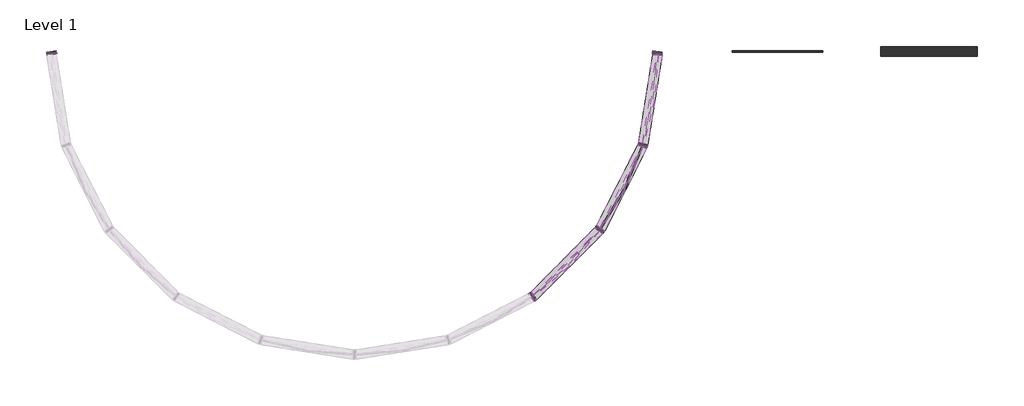
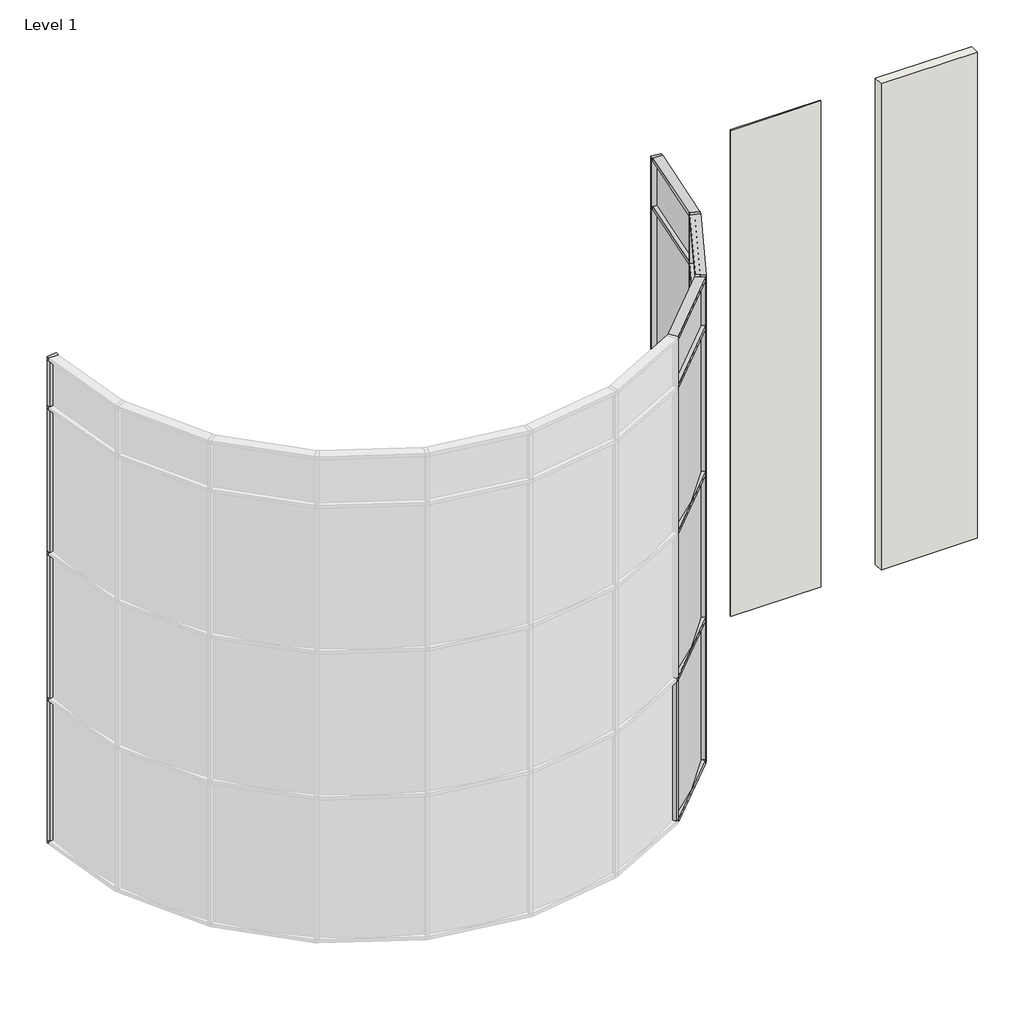
# One storey, part 3 of 3: 38 members, 27 plates, 2 walls.
"""IFC4 building model written with IfcOpenShell, lengths in millimetres."""

import ifcopenshell
import ifcopenshell.guid

model = None  # the IFC model being written
_history = None  # IfcOwnerHistory: only IFC2X3 demands one
_inside = {}  # id of a spatial element -> (the spatial element, [elements in it])
_under = {}  # id of a project, library or spatial element -> (it, [spatial elements below it])
_declared = {}  # id of a project -> (the project, [libraries it declares])
_typed = {}  # id of a type object -> (the type object, [elements of that type])
_made_of = {}  # id of a material, layer set ... -> (it, [elements and type objects made of it])


def new_model(schema):
    """Start an empty IFC model of exactly this schema.

    Asked for "IFC4X3", IfcOpenShell would pick the latest addendum, in which some entities
    have other attributes; the version numbers below select the first issue.
    IFC2X3 requires an IfcOwnerHistory on every rooted entity: one is made here for all.
    """
    global model, _history
    if schema == "IFC4X3":
        model = ifcopenshell.file(schema_version=(4, 3, 0, 0))
    else:
        model = ifcopenshell.file(schema=schema)
    _inside.clear()
    _under.clear()
    _declared.clear()
    _typed.clear()
    _made_of.clear()
    _history = None
    if model.schema == "IFC2X3":
        org = make("IfcOrganization", Name="unknown")
        user = make(
            "IfcPersonAndOrganization",
            ThePerson=make("IfcPerson", FamilyName="unknown"),
            TheOrganization=org,
        )
        app = make(
            "IfcApplication",
            ApplicationDeveloper=org,
            Version="unknown",
            ApplicationFullName="unknown",
            ApplicationIdentifier="unknown",
        )
        _history = make(
            "IfcOwnerHistory",
            OwningUser=user,
            OwningApplication=app,
            ChangeAction="ADDED",
            CreationDate=0,
        )
    return model


def make(cls, **values):
    """One entity of the class cls with the attributes given. An attribute that is None is left unset."""
    return model.create_entity(
        cls, **{name: value for name, value in values.items() if value is not None}
    )


def rooted(cls, **values):
    """An entity with a GlobalId (a new one), such as an element, a storey or a relation."""
    return make(cls, GlobalId=ifcopenshell.guid.new(), OwnerHistory=_history, **values)


def si_unit(unit_type, name, prefix=None):
    """IfcSIUnit, for example si_unit("LENGTHUNIT", "METRE", prefix="MILLI")."""
    return make("IfcSIUnit", UnitType=unit_type, Prefix=prefix, Name=name)


def assignment(units):
    """IfcUnitAssignment: the units of a project."""
    return None if units is None else make("IfcUnitAssignment", Units=units)


def point(xyz):
    """IfcCartesianPoint."""
    return None if xyz is None else make("IfcCartesianPoint", Coordinates=xyz)


def direction(xyz):
    """IfcDirection."""
    return None if xyz is None else make("IfcDirection", DirectionRatios=xyz)


def frame(location, z_axis=None, x_axis=None):
    """IfcAxis2Placement3D, a coordinate frame: its origin and axes. An axis left out is left unset."""
    return make(
        "IfcAxis2Placement3D",
        Location=point(location),
        Axis=direction(z_axis),
        RefDirection=direction(x_axis),
    )


def frame_2d(location, x_axis=None):
    """IfcAxis2Placement2D, a coordinate frame in the plane: its origin and x axis."""
    return make(
        "IfcAxis2Placement2D", Location=point(location), RefDirection=direction(x_axis)
    )


def origin():
    """The frame at (0, 0, 0) with its axes left unset."""
    return frame((0.0, 0.0, 0.0))


def origin_with_axes():
    """The frame at (0, 0, 0) with the z axis (0, 0, 1) and the x axis (1, 0, 0) written out."""
    return frame((0.0, 0.0, 0.0), z_axis=(0.0, 0.0, 1.0), x_axis=(1.0, 0.0, 0.0))


def place(relative_to, where):
    """IfcLocalPlacement: puts the frame where relative to a parent placement (None: the world)."""
    return make(
        "IfcLocalPlacement", PlacementRelTo=relative_to, RelativePlacement=where
    )


def context(
    kind, dimensions, precision=None, world=None, true_north=None, identifier=None
):
    """IfcGeometricRepresentationContext, for example the 3D "Model" context."""
    return make(
        "IfcGeometricRepresentationContext",
        ContextIdentifier=identifier,
        ContextType=kind,
        CoordinateSpaceDimension=dimensions,
        Precision=precision,
        WorldCoordinateSystem=world,
        TrueNorth=true_north,
    )


def project(units=None, contexts=None):
    """IfcProject with its units and contexts."""
    return rooted(
        "IfcProject",
        Name="project",
        RepresentationContexts=contexts,
        UnitsInContext=assignment(units),
    )


def spatial(cls, under=None, at=None, **own):
    """A site, building, storey or space (cls), placed at a placement, below another one or the project."""
    s = rooted(cls, ObjectPlacement=at, **own)
    if under is not None:
        _under.setdefault(under.id(), (under, []))[1].append(s)
    return s


def polyline(points):
    """IfcPolyline through the points."""
    return make("IfcPolyline", Points=[point(p) for p in points])


def circle_curve(where, radius):
    """IfcCircle in the frame where."""
    return make("IfcCircle", Position=where, Radius=radius)


def trimmed(basis, trim1, trim2, sense, master):
    """IfcTrimmedCurve: the piece of a basis curve between two trims."""
    return make(
        "IfcTrimmedCurve",
        BasisCurve=basis,
        Trim1=trim1,
        Trim2=trim2,
        SenseAgreement=sense,
        MasterRepresentation=master,
    )


def segment(curve, same_sense, transition):
    """IfcCompositeCurveSegment."""
    return make(
        "IfcCompositeCurveSegment",
        Transition=transition,
        SameSense=same_sense,
        ParentCurve=curve,
    )


def composite_curve(segments, self_intersect=None):
    """IfcCompositeCurve: segments joined end to end."""
    return make("IfcCompositeCurve", Segments=segments, SelfIntersect=self_intersect)


def outline(outer, holes=None, kind="AREA"):
    """IfcArbitraryClosedProfileDef: a profile drawn as a closed curve; with holes, ...WithVoids."""
    if holes is None:
        return make("IfcArbitraryClosedProfileDef", ProfileType=kind, OuterCurve=outer)
    return make(
        "IfcArbitraryProfileDefWithVoids",
        ProfileType=kind,
        OuterCurve=outer,
        InnerCurves=holes,
    )


def extrude(swept, where, along, depth):
    """IfcExtrudedAreaSolid: the profile swept, set in the frame where, extruded along a direction by depth."""
    return make(
        "IfcExtrudedAreaSolid",
        SweptArea=swept,
        Position=where,
        ExtrudedDirection=direction(along),
        Depth=depth,
    )


def shape(context_of_items, identifier, shape_type, items):
    """IfcShapeRepresentation: the items that make up one representation, for example the "Body"."""
    return make(
        "IfcShapeRepresentation",
        ContextOfItems=context_of_items,
        RepresentationIdentifier=identifier,
        RepresentationType=shape_type,
        Items=items,
    )


def source(mapping_origin, context_of_items, identifier, shape_type, items):
    """IfcRepresentationMap: a shape defined once, which mapped items show again and again."""
    return make(
        "IfcRepresentationMap",
        MappingOrigin=mapping_origin,
        MappedRepresentation=shape(context_of_items, identifier, shape_type, items),
    )


def transform(
    local_origin,
    x_axis=None,
    y_axis=None,
    z_axis=None,
    scale=None,
    scale2=None,
    scale3=None,
    uniform=True,
):
    """IfcCartesianTransformationOperator3D, or its non-uniform kind. x_axis, y_axis, z_axis: its Axis1, 2, 3."""
    if uniform:
        return make(
            "IfcCartesianTransformationOperator3D",
            Axis1=direction(x_axis),
            Axis2=direction(y_axis),
            LocalOrigin=point(local_origin),
            Scale=scale,
            Axis3=direction(z_axis),
        )
    return make(
        "IfcCartesianTransformationOperator3DnonUniform",
        Axis1=direction(x_axis),
        Axis2=direction(y_axis),
        LocalOrigin=point(local_origin),
        Scale=scale,
        Axis3=direction(z_axis),
        Scale2=scale2,
        Scale3=scale3,
    )


def mapped(mapping_source, mapping_target):
    """IfcMappedItem: shows the shape of a source again, moved by a transform."""
    return make(
        "IfcMappedItem", MappingSource=mapping_source, MappingTarget=mapping_target
    )


def made_of(thing, what):
    """Note that an element or type object is made of a material, layer set ...; save() writes the relation."""
    if what is not None:
        _made_of.setdefault(what.id(), (what, []))[1].append(thing)
    return thing


def element(
    cls,
    number,
    at=None,
    inside=None,
    cuts=None,
    type_object=None,
    material=None,
    context=None,
    identifier="Body",
    shape_type=None,
    held_by="IfcProductDefinitionShape",
    body=None,
    shapes=None,
    **own,
):
    """One element of the class cls, such as IfcWall. Its Tag is "e" and its number.

    at: its placement. inside: the storey or other place that contains it. cuts: it is an
    opening in that element (IfcRelVoidsElement). A single representation is given by context,
    identifier, shape_type and body (its items); several are given by shapes. held_by: the class
    of the entity that holds the representations. save() writes the other relations.
    """
    e = rooted(cls, Tag="e%d" % number, ObjectPlacement=at, **own)
    if body is not None:
        shapes = [shape(context, identifier, shape_type, body)]
    if shapes is not None:
        e.Representation = make(held_by, Representations=shapes)
    if inside is not None:
        _inside.setdefault(inside.id(), (inside, []))[1].append(e)
    if cuts is not None:
        rooted(
            "IfcRelVoidsElement", RelatingBuildingElement=cuts, RelatedOpeningElement=e
        )
    if type_object is not None:
        _typed.setdefault(type_object.id(), (type_object, []))[1].append(e)
    return made_of(e, material)


def aggregate(whole, parts):
    """IfcRelAggregates: a whole, such as a stair, and the parts it consists of."""
    return rooted("IfcRelAggregates", RelatingObject=whole, RelatedObjects=parts)


def save(model, path):
    """Write the relations noted so far, then the file.

    IfcRelAggregates (storeys below a building ...), IfcRelContainedInSpatialStructure (elements
    in a storey), IfcRelDefinesByType, IfcRelAssociatesMaterial and IfcRelDeclares: one each for
    every whole, place, type object, material and project.
    """
    for whole, parts in _under.values():
        aggregate(whole, parts)
    for where, things in _inside.values():
        rooted(
            "IfcRelContainedInSpatialStructure",
            RelatedElements=things,
            RelatingStructure=where,
        )
    for kind, things in _typed.values():
        rooted("IfcRelDefinesByType", RelatedObjects=things, RelatingType=kind)
    for what, things in _made_of.values():
        rooted("IfcRelAssociatesMaterial", RelatedObjects=things, RelatingMaterial=what)
    for by, libraries in _declared.values():
        rooted("IfcRelDeclares", RelatingContext=by, RelatedDefinitions=libraries)
    model.write(path)


def rectangular_mullion_50mm_x_150mm_457f9466(model_context):
    return source(origin(), model_context, "Body", "SweptSolid", [
        extrude(outline(polyline([(25.0, 75.0), (25.0, -75.0), (-25.0, -75.0), (-25.0, 75.0), (25.0, 75.0)])), frame((0.0, 0.0, -750.0), z_axis=(0.0, 0.0, 1.0), x_axis=(1.0, 0.0, 0.0)), (0.0, 0.0, 1.0), 750.0),
    ])


def rectangular_mullion_50mm_x_150mm_6eb1744c(model_context):
    return source(origin(), model_context, "Body", "SweptSolid", [
        extrude(outline(polyline([(25.0, 75.0), (25.0, -75.0), (-25.0, -75.0), (-25.0, 75.0), (25.0, 75.0)])), frame((0.0, 0.0, -50.0), z_axis=(0.0, 0.0, 1.0), x_axis=(1.0, 0.0, 0.0)), (0.0, 0.0, 1.0), 50.0),
    ])


def rectangular_mullion_50mm_x_150mm_0d3281e4(model_context):
    return source(origin(), model_context, "Body", "SweptSolid", [
        extrude(outline(polyline([(0.0, 75.0), (0.0, -75.0), (-50.0, -75.0), (-50.0, 75.0), (0.0, 75.0)])), frame((0.0, 0.0, -750.0), z_axis=(0.0, 0.0, 1.0), x_axis=(1.0, 0.0, 0.0)), (0.0, 0.0, 1.0), 750.0),
    ])


def rectangular_mullion_50mm_x_150mm_188a2113(model_context):
    return source(origin(), model_context, "Body", "SweptSolid", [
        extrude(outline(polyline([(0.0, 75.0), (0.0, -75.0), (-50.0, -75.0), (-50.0, 75.0), (0.0, 75.0)])), frame((0.0, 0.0, -50.0), z_axis=(0.0, 0.0, 1.0), x_axis=(1.0, 0.0, 0.0)), (0.0, 0.0, 1.0), 50.0),
    ])


def rectangular_mullion_50mm_x_150mm_518b68e2(model_context):
    return source(origin(), model_context, "Body", "SweptSolid", [
        extrude(outline(polyline([(25.0, 75.0), (25.0, -75.0), (-25.0, -75.0), (-25.0, 75.0), (25.0, 75.0)])), frame((0.0, 0.0, -2350.0), z_axis=(0.0, 0.0, 1.0), x_axis=(1.0, 0.0, 0.0)), (0.0, 0.0, 1.0), 2350.0),
    ])


def rectangular_mullion_50mm_x_150mm_8b0a0560(model_context):
    return source(origin(), model_context, "Body", "SweptSolid", [
        extrude(outline(polyline([(0.0, 75.0), (0.0, -75.0), (-50.0, -75.0), (-50.0, 75.0), (0.0, 75.0)])), frame((0.0, 0.0, -2350.0), z_axis=(0.0, 0.0, 1.0), x_axis=(1.0, 0.0, 0.0)), (0.0, 0.0, 1.0), 2350.0),
    ])


def rectangular_mullion_50mm_x_150mm_f70f74d1(model_context):
    return source(origin(), model_context, "Body", "SweptSolid", [
        extrude(outline(polyline([(25.0, 75.0), (25.0, -75.0), (-25.0, -75.0), (-25.0, 75.0), (25.0, 75.0)])), frame((0.0, 0.0, -2300.0), z_axis=(0.0, 0.0, 1.0), x_axis=(1.0, 0.0, 0.0)), (0.0, 0.0, 1.0), 2300.0),
    ])


def rectangular_mullion_50mm_x_150mm_8753ce05(model_context):
    return source(origin(), model_context, "Body", "SweptSolid", [
        extrude(outline(polyline([(0.0, 75.0), (0.0, -75.0), (-50.0, -75.0), (-50.0, 75.0), (0.0, 75.0)])), frame((0.0, 0.0, -2300.0), z_axis=(0.0, 0.0, 1.0), x_axis=(1.0, 0.0, 0.0)), (0.0, 0.0, 1.0), 2300.0),
    ])


model = new_model("IFC4")

# Units and contexts
model_context = context("Model", 3, world=origin())
ifc_project = project(units=[si_unit("LENGTHUNIT", "METRE", prefix="MILLI")], contexts=[model_context])

# Site, building, storey
site = spatial("IfcSite", under=ifc_project)
building = spatial("IfcBuilding", under=site)
storey = spatial("IfcBuildingStorey", under=building, Name="Level 1", Elevation=0.0)

# Members
placement = place(None, origin())
rectangular_mullion_50mm_x_150mm_shape = rectangular_mullion_50mm_x_150mm_457f9466(model_context)
element("IfcMember", 1, ObjectType="Rectangular Mullion : 50mm x 150mm", at=placement, inside=storey, context=model_context, shape_type="MappedRepresentation", body=[
    mapped(rectangular_mullion_50mm_x_150mm_shape, transform((5561.4589046, -1370.3292629, 7200.0), x_axis=(0.3090169951357944, 0.9510565160479394, 0.0), y_axis=(0.9510565160479394, -0.3090169951357944, 0.0), z_axis=(0.0, 0.0, -1.0))),
])
element("IfcMember", 2, ObjectType="Rectangular Mullion : 50mm x 150mm", at=placement, inside=storey, context=model_context, shape_type="MappedRepresentation", body=[
    mapped(rectangular_mullion_50mm_x_150mm_shape, transform((4893.8731511, -2680.5400738, 7200.0), x_axis=(0.5877852527778847, 0.8090169940222752, 0.0), y_axis=(0.8090169940222752, -0.5877852527778847, 0.0), z_axis=(0.0, 0.0, -1.0))),
])
rectangular_mullion_50mm_x_150mm_2_shape = rectangular_mullion_50mm_x_150mm_6eb1744c(model_context)
element("IfcMember", 3, ObjectType="Rectangular Mullion : 50mm x 150mm", at=placement, inside=storey, context=model_context, shape_type="MappedRepresentation", body=[
    mapped(rectangular_mullion_50mm_x_150mm_2_shape, transform((5561.4589046, -1370.3292629, 7950.0), x_axis=(0.3090169951357944, 0.9510565160479394, 0.0), y_axis=(0.9510565160479394, -0.3090169951357944, 0.0), z_axis=(0.0, 0.0, -1.0))),
])
element("IfcMember", 4, ObjectType="Rectangular Mullion : 50mm x 150mm", at=placement, inside=storey, context=model_context, shape_type="MappedRepresentation", body=[
    mapped(rectangular_mullion_50mm_x_150mm_2_shape, transform((4893.8731511, -2680.5400738, 7950.0), x_axis=(0.5877852527778847, 0.8090169940222752, 0.0), y_axis=(0.8090169940222752, -0.5877852527778847, 0.0), z_axis=(0.0, 0.0, -1.0))),
])
rectangular_mullion_50mm_x_150mm_3_shape = rectangular_mullion_50mm_x_150mm_0d3281e4(model_context)
element("IfcMember", 5, ObjectType="Rectangular Mullion : 50mm x 150mm", at=placement, inside=storey, context=model_context, shape_type="MappedRepresentation", body=[
    mapped(rectangular_mullion_50mm_x_150mm_3_shape, transform((5791.4932792, 82.0506143, 7200.0), x_axis=(0.1564344654353081, 0.9876883405325636, 0.0), y_axis=(0.9876883405325636, -0.1564344654353081, 0.0), z_axis=(0.0, 0.0, -1.0))),
])
rectangular_mullion_50mm_x_150mm_4_shape = rectangular_mullion_50mm_x_150mm_188a2113(model_context)
element("IfcMember", 6, ObjectType="Rectangular Mullion : 50mm x 150mm", at=placement, inside=storey, context=model_context, shape_type="MappedRepresentation", body=[
    mapped(rectangular_mullion_50mm_x_150mm_4_shape, transform((-3608.5067208, 82.0506143, 8000.0), x_axis=(-0.1564344654353079, 0.9876883405325637, 0.0), y_axis=(-0.9876883405325637, -0.1564344654353079, 0.0), z_axis=(0.0, 0.0, 1.0))),
])
element("IfcMember", 7, ObjectType="Rectangular Mullion : 50mm x 150mm", at=placement, inside=storey, context=model_context, shape_type="MappedRepresentation", body=[
    mapped(rectangular_mullion_50mm_x_150mm_4_shape, transform((5791.4932792, 82.0506143, 7950.0), x_axis=(0.15643446543530806, 0.9876883405325636, 0.0), y_axis=(0.9876883405325636, -0.15643446543530806, 0.0), z_axis=(0.0, 0.0, -1.0))),
])
element("IfcMember", 8, ObjectType="Rectangular Mullion : 50mm x 150mm", at=placement, inside=storey, context=model_context, shape_type="MappedRepresentation", body=[
    mapped(rectangular_mullion_50mm_x_150mm_3_shape, transform((-3608.5067208, 82.0506143, 7950.0), x_axis=(-0.15643446543530792, 0.9876883405325637, 0.0), y_axis=(-0.9876883405325637, -0.15643446543530792, 0.0), z_axis=(0.0, 0.0, 1.0))),
])
rectangular_mullion_50mm_x_150mm_5_shape = rectangular_mullion_50mm_x_150mm_518b68e2(model_context)
element("IfcMember", 9, ObjectType="Rectangular Mullion : 50mm x 150mm", at=placement, inside=storey, context=model_context, shape_type="MappedRepresentation", body=[
    mapped(rectangular_mullion_50mm_x_150mm_5_shape, transform((5561.4589046, -1370.3292629, 4800.0), x_axis=(0.3090169951357944, 0.9510565160479394, 0.0), y_axis=(0.9510565160479394, -0.3090169951357944, 0.0), z_axis=(0.0, 0.0, -1.0))),
])
element("IfcMember", 10, ObjectType="Rectangular Mullion : 50mm x 150mm", at=placement, inside=storey, context=model_context, shape_type="MappedRepresentation", body=[
    mapped(rectangular_mullion_50mm_x_150mm_5_shape, transform((5561.4589046, -1370.3292629, 2400.0), x_axis=(0.3090169951357944, 0.9510565160479394, 0.0), y_axis=(0.9510565160479394, -0.3090169951357944, 0.0), z_axis=(0.0, 0.0, -1.0))),
])
element("IfcMember", 11, ObjectType="Rectangular Mullion : 50mm x 150mm", at=placement, inside=storey, context=model_context, shape_type="MappedRepresentation", body=[
    mapped(rectangular_mullion_50mm_x_150mm_5_shape, transform((4893.8731511, -2680.5400738, 4800.0), x_axis=(0.5877852527778847, 0.8090169940222752, 0.0), y_axis=(0.8090169940222752, -0.5877852527778847, 0.0), z_axis=(0.0, 0.0, -1.0))),
])
element("IfcMember", 12, ObjectType="Rectangular Mullion : 50mm x 150mm", at=placement, inside=storey, context=model_context, shape_type="MappedRepresentation", body=[
    mapped(rectangular_mullion_50mm_x_150mm_5_shape, transform((4893.8731511, -2680.5400738, 2400.0), x_axis=(0.5877852527778847, 0.8090169940222752, 0.0), y_axis=(0.8090169940222752, -0.5877852527778847, 0.0), z_axis=(0.0, 0.0, -1.0))),
])
element("IfcMember", 13, ObjectType="Rectangular Mullion : 50mm x 150mm", at=placement, inside=storey, context=model_context, shape_type="MappedRepresentation", body=[
    mapped(rectangular_mullion_50mm_x_150mm_2_shape, transform((5561.4589046, -1370.3292629, 7150.0), x_axis=(0.3090169951357944, 0.9510565160479394, 0.0), y_axis=(0.9510565160479394, -0.3090169951357944, 0.0), z_axis=(0.0, 0.0, -1.0))),
])
element("IfcMember", 14, ObjectType="Rectangular Mullion : 50mm x 150mm", at=placement, inside=storey, context=model_context, shape_type="MappedRepresentation", body=[
    mapped(rectangular_mullion_50mm_x_150mm_2_shape, transform((4893.8731511, -2680.5400738, 7150.0), x_axis=(0.5877852527778847, 0.8090169940222752, 0.0), y_axis=(0.8090169940222752, -0.5877852527778847, 0.0), z_axis=(0.0, 0.0, -1.0))),
])
element("IfcMember", 15, ObjectType="Rectangular Mullion : 50mm x 150mm", at=placement, inside=storey, context=model_context, shape_type="MappedRepresentation", body=[
    mapped(rectangular_mullion_50mm_x_150mm_2_shape, transform((5561.4589046, -1370.3292629, 4750.0), x_axis=(0.3090169951357944, 0.9510565160479394, 0.0), y_axis=(0.9510565160479394, -0.3090169951357944, 0.0), z_axis=(0.0, 0.0, -1.0))),
])
element("IfcMember", 16, ObjectType="Rectangular Mullion : 50mm x 150mm", at=placement, inside=storey, context=model_context, shape_type="MappedRepresentation", body=[
    mapped(rectangular_mullion_50mm_x_150mm_2_shape, transform((4893.8731511, -2680.5400738, 4750.0), x_axis=(0.5877852527778847, 0.8090169940222752, 0.0), y_axis=(0.8090169940222752, -0.5877852527778847, 0.0), z_axis=(0.0, 0.0, -1.0))),
])
element("IfcMember", 17, ObjectType="Rectangular Mullion : 50mm x 150mm", at=placement, inside=storey, context=model_context, shape_type="MappedRepresentation", body=[
    mapped(rectangular_mullion_50mm_x_150mm_2_shape, transform((5561.4589046, -1370.3292629, 2350.0), x_axis=(0.3090169951357944, 0.9510565160479394, 0.0), y_axis=(0.9510565160479394, -0.3090169951357944, 0.0), z_axis=(0.0, 0.0, -1.0))),
])
element("IfcMember", 18, ObjectType="Rectangular Mullion : 50mm x 150mm", at=placement, inside=storey, context=model_context, shape_type="MappedRepresentation", body=[
    mapped(rectangular_mullion_50mm_x_150mm_2_shape, transform((4893.8731511, -2680.5400738, 2350.0), x_axis=(0.5877852527778847, 0.8090169940222752, 0.0), y_axis=(0.8090169940222752, -0.5877852527778847, 0.0), z_axis=(0.0, 0.0, -1.0))),
])
element("IfcMember", 19, ObjectType="Rectangular Mullion : 50mm x 150mm", at=placement, inside=storey, context=model_context, shape_type="MappedRepresentation", body=[
    mapped(rectangular_mullion_50mm_x_150mm_2_shape, transform((3854.0839634, -3720.3292604, 2350.0), x_axis=(0.809016994610062, 0.5877852519688657, 0.0), y_axis=(0.5877852519688657, -0.809016994610062, 0.0), z_axis=(0.0, 0.0, -1.0))),
])
rectangular_mullion_50mm_x_150mm_6_shape = rectangular_mullion_50mm_x_150mm_8b0a0560(model_context)
element("IfcMember", 20, ObjectType="Rectangular Mullion : 50mm x 150mm", at=placement, inside=storey, context=model_context, shape_type="MappedRepresentation", body=[
    mapped(rectangular_mullion_50mm_x_150mm_6_shape, transform((5791.4932792, 82.0506143, 4800.0), x_axis=(0.1564344654353081, 0.9876883405325636, 0.0), y_axis=(0.9876883405325636, -0.1564344654353081, 0.0), z_axis=(0.0, 0.0, -1.0))),
])
element("IfcMember", 21, ObjectType="Rectangular Mullion : 50mm x 150mm", at=placement, inside=storey, context=model_context, shape_type="MappedRepresentation", body=[
    mapped(rectangular_mullion_50mm_x_150mm_6_shape, transform((5791.4932792, 82.0506143, 2400.0), x_axis=(0.1564344654353081, 0.9876883405325636, 0.0), y_axis=(0.9876883405325636, -0.1564344654353081, 0.0), z_axis=(0.0, 0.0, -1.0))),
])
element("IfcMember", 22, ObjectType="Rectangular Mullion : 50mm x 150mm", at=placement, inside=storey, context=model_context, shape_type="MappedRepresentation", body=[
    mapped(rectangular_mullion_50mm_x_150mm_4_shape, transform((-3608.5067208, 82.0506143, 7200.0), x_axis=(-0.15643446543530792, 0.9876883405325637, 0.0), y_axis=(-0.9876883405325637, -0.15643446543530792, 0.0), z_axis=(0.0, 0.0, 1.0))),
])
element("IfcMember", 23, ObjectType="Rectangular Mullion : 50mm x 150mm", at=placement, inside=storey, context=model_context, shape_type="MappedRepresentation", body=[
    mapped(rectangular_mullion_50mm_x_150mm_4_shape, transform((-3608.5067208, 82.0506143, 4800.0), x_axis=(-0.1564344654353079, 0.9876883405325637, 0.0), y_axis=(-0.9876883405325637, -0.1564344654353079, 0.0), z_axis=(0.0, 0.0, 1.0))),
])
element("IfcMember", 24, ObjectType="Rectangular Mullion : 50mm x 150mm", at=placement, inside=storey, context=model_context, shape_type="MappedRepresentation", body=[
    mapped(rectangular_mullion_50mm_x_150mm_4_shape, transform((-3608.5067208, 82.0506143, 2400.0), x_axis=(-0.1564344654353079, 0.9876883405325637, 0.0), y_axis=(-0.9876883405325637, -0.1564344654353079, 0.0), z_axis=(0.0, 0.0, 1.0))),
])
element("IfcMember", 25, ObjectType="Rectangular Mullion : 50mm x 150mm", at=placement, inside=storey, context=model_context, shape_type="MappedRepresentation", body=[
    mapped(rectangular_mullion_50mm_x_150mm_4_shape, transform((5791.4932792, 82.0506143, 7150.0), x_axis=(0.15643446543530806, 0.9876883405325636, 0.0), y_axis=(0.9876883405325636, -0.15643446543530806, 0.0), z_axis=(0.0, 0.0, -1.0))),
])
element("IfcMember", 26, ObjectType="Rectangular Mullion : 50mm x 150mm", at=placement, inside=storey, context=model_context, shape_type="MappedRepresentation", body=[
    mapped(rectangular_mullion_50mm_x_150mm_4_shape, transform((5791.4932792, 82.0506143, 4750.0), x_axis=(0.15643446543530806, 0.9876883405325636, 0.0), y_axis=(0.9876883405325636, -0.15643446543530806, 0.0), z_axis=(0.0, 0.0, -1.0))),
])
element("IfcMember", 27, ObjectType="Rectangular Mullion : 50mm x 150mm", at=placement, inside=storey, context=model_context, shape_type="MappedRepresentation", body=[
    mapped(rectangular_mullion_50mm_x_150mm_4_shape, transform((5791.4932792, 82.0506143, 2350.0), x_axis=(0.15643446543530806, 0.9876883405325636, 0.0), y_axis=(0.9876883405325636, -0.15643446543530806, 0.0), z_axis=(0.0, 0.0, -1.0))),
])
element("IfcMember", 28, ObjectType="Rectangular Mullion : 50mm x 150mm", at=placement, inside=storey, context=model_context, shape_type="MappedRepresentation", body=[
    mapped(rectangular_mullion_50mm_x_150mm_6_shape, transform((-3608.5067208, 82.0506143, 7150.0), x_axis=(-0.15643446543530792, 0.9876883405325637, 0.0), y_axis=(-0.9876883405325637, -0.15643446543530792, 0.0), z_axis=(0.0, 0.0, 1.0))),
])
element("IfcMember", 29, ObjectType="Rectangular Mullion : 50mm x 150mm", at=placement, inside=storey, context=model_context, shape_type="MappedRepresentation", body=[
    mapped(rectangular_mullion_50mm_x_150mm_6_shape, transform((-3608.5067208, 82.0506143, 4750.0), x_axis=(-0.15643446543530792, 0.9876883405325637, 0.0), y_axis=(-0.9876883405325637, -0.15643446543530792, 0.0), z_axis=(0.0, 0.0, 1.0))),
])
element("IfcMember", 30, ObjectType="Rectangular Mullion : 50mm x 150mm", at=placement, inside=storey, context=model_context, shape_type="MappedRepresentation", body=[
    mapped(rectangular_mullion_50mm_x_150mm_2_shape, transform((5561.4589046, -1370.3292629, 0.0), x_axis=(0.3090169951357944, 0.9510565160479394, 0.0), y_axis=(0.9510565160479394, -0.3090169951357944, 0.0), z_axis=(0.0, 0.0, -1.0))),
])
element("IfcMember", 31, ObjectType="Rectangular Mullion : 50mm x 150mm", at=placement, inside=storey, context=model_context, shape_type="MappedRepresentation", body=[
    mapped(rectangular_mullion_50mm_x_150mm_2_shape, transform((4893.8731511, -2680.5400738, 0.0), x_axis=(0.5877852527778847, 0.8090169940222752, 0.0), y_axis=(0.8090169940222752, -0.5877852527778847, 0.0), z_axis=(0.0, 0.0, -1.0))),
])
rectangular_mullion_50mm_x_150mm_7_shape = rectangular_mullion_50mm_x_150mm_f70f74d1(model_context)
element("IfcMember", 32, ObjectType="Rectangular Mullion : 50mm x 150mm", at=placement, inside=storey, context=model_context, shape_type="MappedRepresentation", body=[
    mapped(rectangular_mullion_50mm_x_150mm_7_shape, transform((5561.4589046, -1370.3292629, 50.0), x_axis=(0.3090169951357944, 0.9510565160479394, 0.0), y_axis=(0.9510565160479394, -0.3090169951357944, 0.0), z_axis=(0.0, 0.0, -1.0))),
])
element("IfcMember", 33, ObjectType="Rectangular Mullion : 50mm x 150mm", at=placement, inside=storey, context=model_context, shape_type="MappedRepresentation", body=[
    mapped(rectangular_mullion_50mm_x_150mm_7_shape, transform((4893.8731511, -2680.5400738, 50.0), x_axis=(0.5877852527778847, 0.8090169940222752, 0.0), y_axis=(0.8090169940222752, -0.5877852527778847, 0.0), z_axis=(0.0, 0.0, -1.0))),
])
element("IfcMember", 34, ObjectType="Rectangular Mullion : 50mm x 150mm", at=placement, inside=storey, context=model_context, shape_type="MappedRepresentation", body=[
    mapped(rectangular_mullion_50mm_x_150mm_7_shape, transform((3854.0839634, -3720.3292604, 50.0), x_axis=(0.809016994610062, 0.5877852519688657, 0.0), y_axis=(0.5877852519688657, -0.809016994610062, 0.0), z_axis=(0.0, 0.0, -1.0))),
])
element("IfcMember", 35, ObjectType="Rectangular Mullion : 50mm x 150mm", at=placement, inside=storey, context=model_context, shape_type="MappedRepresentation", body=[
    mapped(rectangular_mullion_50mm_x_150mm_4_shape, transform((5791.4932792, 82.0506143, 0.0), x_axis=(0.1564344654353081, 0.9876883405325636, 0.0), y_axis=(0.9876883405325636, -0.1564344654353081, 0.0), z_axis=(0.0, 0.0, -1.0))),
])
rectangular_mullion_50mm_x_150mm_8_shape = rectangular_mullion_50mm_x_150mm_8753ce05(model_context)
element("IfcMember", 36, ObjectType="Rectangular Mullion : 50mm x 150mm", at=placement, inside=storey, context=model_context, shape_type="MappedRepresentation", body=[
    mapped(rectangular_mullion_50mm_x_150mm_8_shape, transform((-3608.5067208, 82.0506143, 2350.0), x_axis=(-0.15643446543530792, 0.9876883405325637, 0.0), y_axis=(-0.9876883405325637, -0.15643446543530792, 0.0), z_axis=(0.0, 0.0, 1.0))),
])
element("IfcMember", 37, ObjectType="Rectangular Mullion : 50mm x 150mm", at=placement, inside=storey, context=model_context, shape_type="MappedRepresentation", body=[
    mapped(rectangular_mullion_50mm_x_150mm_8_shape, transform((5791.4932792, 82.0506143, 50.0), x_axis=(0.15643446543530806, 0.9876883405325636, 0.0), y_axis=(0.9876883405325636, -0.15643446543530806, 0.0), z_axis=(0.0, 0.0, -1.0))),
])
element("IfcMember", 38, ObjectType="Rectangular Mullion : 50mm x 150mm", at=placement, inside=storey, context=model_context, shape_type="MappedRepresentation", body=[
    mapped(rectangular_mullion_50mm_x_150mm_4_shape, transform((-3608.5067208, 82.0506143, 50.0), x_axis=(-0.15643446543530792, 0.9876883405325637, 0.0), y_axis=(-0.9876883405325637, -0.15643446543530792, 0.0), z_axis=(0.0, 0.0, 1.0))),
])

# Plates
element("IfcPlate", 39, ObjectType="Glass - 20mm", at=placement, inside=storey, context=model_context, shape_type="SweptSolid", body=[
    extrude(outline(composite_curve([segment(polyline([(5781.2335399, 32.691857), (5801.2324323, 32.4813719)]), True, "CONTINUOUS"), segment(trimmed(circle_curve(frame_2d((1091.4932792, 82.0506143)), 4710.0), [point((5801.2324323, 32.4813719))], [point((5578.5603581, -1349.8463895))], False, "CARTESIAN"), True, "CONTINUOUS"), segment(polyline([(5578.5603581, -1349.8463895), (5559.5069947, -1343.7661474)]), True, "CONTINUOUS"), segment(trimmed(circle_curve(frame_2d((1091.4932792, 82.0506143)), 4690.0), [point((5559.5069947, -1343.7661474))], [point((5781.2335399, 32.691857))], True, "CARTESIAN"), True, "CONTINUOUS")], self_intersect=False)), frame((0.0, 0.0, 7200.0), z_axis=(0.0, 0.0, 1.0), x_axis=(1.0, 0.0, 0.0)), (0.0, 0.0, 1.0), 750.0),
])
element("IfcPlate", 40, ObjectType="Glass - 20mm", at=placement, inside=storey, context=model_context, shape_type="SweptSolid", body=[
    extrude(outline(composite_curve([segment(polyline([(5544.2663688, -1390.6719708), (5563.2547401, -1396.9522377)]), True, "CONTINUOUS"), segment(trimmed(circle_curve(frame_2d((1091.4932792, 82.0506143)), 4710.0), [point((5563.2547401, -1396.9522377))], [point((4916.4671558, -2666.3443433))], False, "CARTESIAN"), True, "CONTINUOUS"), segment(polyline([(4916.4671558, -2666.3443433), (4900.2252286, -2654.6738764)]), True, "CONTINUOUS"), segment(trimmed(circle_curve(frame_2d((1091.4932792, 82.0506143)), 4690.0), [point((4900.2252286, -2654.6738764))], [point((5544.2663688, -1390.6719708))], True, "CARTESIAN"), True, "CONTINUOUS")], self_intersect=False)), frame((0.0, 0.0, 7200.0), z_axis=(0.0, 0.0, 1.0), x_axis=(1.0, 0.0, 0.0)), (0.0, 0.0, 1.0), 750.0),
])
element("IfcPlate", 41, ObjectType="Glass - 20mm", at=placement, inside=storey, context=model_context, shape_type="SweptSolid", body=[
    extrude(outline(composite_curve([segment(polyline([(4871.2358354, -2694.574353), (4887.3541405, -2706.4149712)]), True, "CONTINUOUS"), segment(trimmed(circle_curve(frame_2d((1091.4932792, 82.0506143)), 4710.0), [point((4887.3541405, -2706.4149712))], [point((3879.9588609, -3713.8102499))], False, "CARTESIAN"), True, "CONTINUOUS"), segment(polyline([(3879.9588609, -3713.8102499), (3868.1182427, -3697.6919447)]), True, "CONTINUOUS"), segment(trimmed(circle_curve(frame_2d((1091.4932792, 82.0506143)), 4690.0), [point((3868.1182427, -3697.6919447))], [point((4871.2358354, -2694.574353))], True, "CARTESIAN"), True, "CONTINUOUS")], self_intersect=False)), frame((0.0, 0.0, 7200.0), z_axis=(0.0, 0.0, 1.0), x_axis=(1.0, 0.0, 0.0)), (0.0, 0.0, 1.0), 750.0),
])
element("IfcPlate", 42, ObjectType="Glass - 20mm", at=placement, inside=storey, context=model_context, shape_type="SweptSolid", body=[
    extrude(outline(composite_curve([segment(polyline([(5781.2335399, 32.691857), (5801.2324323, 32.4813719)]), True, "CONTINUOUS"), segment(trimmed(circle_curve(frame_2d((1091.4932792, 82.0506143)), 4710.0), [point((5801.2324323, 32.4813719))], [point((5578.5603581, -1349.8463895))], False, "CARTESIAN"), True, "CONTINUOUS"), segment(polyline([(5578.5603581, -1349.8463895), (5559.5069947, -1343.7661474)]), True, "CONTINUOUS"), segment(trimmed(circle_curve(frame_2d((1091.4932792, 82.0506143)), 4690.0), [point((5559.5069947, -1343.7661474))], [point((5781.2335399, 32.691857))], True, "CARTESIAN"), True, "CONTINUOUS")], self_intersect=False)), frame((0.0, 0.0, 4800.0), z_axis=(0.0, 0.0, 1.0), x_axis=(1.0, 0.0, 0.0)), (0.0, 0.0, 1.0), 2350.0),
])
element("IfcPlate", 43, ObjectType="Glass - 20mm", at=placement, inside=storey, context=model_context, shape_type="SweptSolid", body=[
    extrude(outline(composite_curve([segment(polyline([(5544.2663688, -1390.6719708), (5563.2547401, -1396.9522377)]), True, "CONTINUOUS"), segment(trimmed(circle_curve(frame_2d((1091.4932792, 82.0506143)), 4710.0), [point((5563.2547401, -1396.9522377))], [point((4916.4671558, -2666.3443433))], False, "CARTESIAN"), True, "CONTINUOUS"), segment(polyline([(4916.4671558, -2666.3443433), (4900.2252286, -2654.6738764)]), True, "CONTINUOUS"), segment(trimmed(circle_curve(frame_2d((1091.4932792, 82.0506143)), 4690.0), [point((4900.2252286, -2654.6738764))], [point((5544.2663688, -1390.6719708))], True, "CARTESIAN"), True, "CONTINUOUS")], self_intersect=False)), frame((0.0, 0.0, 4800.0), z_axis=(0.0, 0.0, 1.0), x_axis=(1.0, 0.0, 0.0)), (0.0, 0.0, 1.0), 2350.0),
])
element("IfcPlate", 44, ObjectType="Glass - 20mm", at=placement, inside=storey, context=model_context, shape_type="SweptSolid", body=[
    extrude(outline(composite_curve([segment(polyline([(4871.2358354, -2694.574353), (4887.3541405, -2706.4149712)]), True, "CONTINUOUS"), segment(trimmed(circle_curve(frame_2d((1091.4932792, 82.0506143)), 4710.0), [point((4887.3541405, -2706.4149712))], [point((3879.9588609, -3713.8102499))], False, "CARTESIAN"), True, "CONTINUOUS"), segment(polyline([(3879.9588609, -3713.8102499), (3868.1182427, -3697.6919447)]), True, "CONTINUOUS"), segment(trimmed(circle_curve(frame_2d((1091.4932792, 82.0506143)), 4690.0), [point((3868.1182427, -3697.6919447))], [point((4871.2358354, -2694.574353))], True, "CARTESIAN"), True, "CONTINUOUS")], self_intersect=False)), frame((0.0, 0.0, 4800.0), z_axis=(0.0, 0.0, 1.0), x_axis=(1.0, 0.0, 0.0)), (0.0, 0.0, 1.0), 2350.0),
])
element("IfcPlate", 45, ObjectType="Glass - 20mm", at=placement, inside=storey, context=model_context, shape_type="SweptSolid", body=[
    extrude(outline(composite_curve([segment(polyline([(5781.2335399, 32.691857), (5801.2324323, 32.4813719)]), True, "CONTINUOUS"), segment(trimmed(circle_curve(frame_2d((1091.4932792, 82.0506143)), 4710.0), [point((5801.2324323, 32.4813719))], [point((5578.5603581, -1349.8463895))], False, "CARTESIAN"), True, "CONTINUOUS"), segment(polyline([(5578.5603581, -1349.8463895), (5559.5069947, -1343.7661474)]), True, "CONTINUOUS"), segment(trimmed(circle_curve(frame_2d((1091.4932792, 82.0506143)), 4690.0), [point((5559.5069947, -1343.7661474))], [point((5781.2335399, 32.691857))], True, "CARTESIAN"), True, "CONTINUOUS")], self_intersect=False)), frame((0.0, 0.0, 2400.0), z_axis=(0.0, 0.0, 1.0), x_axis=(1.0, 0.0, 0.0)), (0.0, 0.0, 1.0), 2350.0),
])
element("IfcPlate", 46, ObjectType="Glass - 20mm", at=placement, inside=storey, context=model_context, shape_type="SweptSolid", body=[
    extrude(outline(composite_curve([segment(polyline([(5544.2663688, -1390.6719708), (5563.2547401, -1396.9522377)]), True, "CONTINUOUS"), segment(trimmed(circle_curve(frame_2d((1091.4932792, 82.0506143)), 4710.0), [point((5563.2547401, -1396.9522377))], [point((4916.4671558, -2666.3443433))], False, "CARTESIAN"), True, "CONTINUOUS"), segment(polyline([(4916.4671558, -2666.3443433), (4900.2252286, -2654.6738764)]), True, "CONTINUOUS"), segment(trimmed(circle_curve(frame_2d((1091.4932792, 82.0506143)), 4690.0), [point((4900.2252286, -2654.6738764))], [point((5544.2663688, -1390.6719708))], True, "CARTESIAN"), True, "CONTINUOUS")], self_intersect=False)), frame((0.0, 0.0, 2400.0), z_axis=(0.0, 0.0, 1.0), x_axis=(1.0, 0.0, 0.0)), (0.0, 0.0, 1.0), 2350.0),
])
element("IfcPlate", 47, ObjectType="Glass - 20mm", at=placement, inside=storey, context=model_context, shape_type="SweptSolid", body=[
    extrude(outline(composite_curve([segment(polyline([(4871.2358354, -2694.574353), (4887.3541405, -2706.4149712)]), True, "CONTINUOUS"), segment(trimmed(circle_curve(frame_2d((1091.4932792, 82.0506143)), 4710.0), [point((4887.3541405, -2706.4149712))], [point((3879.9588609, -3713.8102499))], False, "CARTESIAN"), True, "CONTINUOUS"), segment(polyline([(3879.9588609, -3713.8102499), (3868.1182427, -3697.6919447)]), True, "CONTINUOUS"), segment(trimmed(circle_curve(frame_2d((1091.4932792, 82.0506143)), 4690.0), [point((3868.1182427, -3697.6919447))], [point((4871.2358354, -2694.574353))], True, "CARTESIAN"), True, "CONTINUOUS")], self_intersect=False)), frame((0.0, 0.0, 2400.0), z_axis=(0.0, 0.0, 1.0), x_axis=(1.0, 0.0, 0.0)), (0.0, 0.0, 1.0), 2350.0),
])
element("IfcPlate", 48, ObjectType="Glass - 20mm", at=placement, inside=storey, context=model_context, shape_type="SweptSolid", body=[
    extrude(outline(composite_curve([segment(polyline([(4871.2358354, -2694.574353), (4887.3541405, -2706.4149712)]), True, "CONTINUOUS"), segment(trimmed(circle_curve(frame_2d((1091.4932792, 82.0506143)), 4710.0), [point((4887.3541405, -2706.4149712))], [point((3879.9588609, -3713.8102499))], False, "CARTESIAN"), True, "CONTINUOUS"), segment(polyline([(3879.9588609, -3713.8102499), (3868.1182427, -3697.6919447)]), True, "CONTINUOUS"), segment(trimmed(circle_curve(frame_2d((1091.4932792, 82.0506143)), 4690.0), [point((3868.1182427, -3697.6919447))], [point((4871.2358354, -2694.574353))], True, "CARTESIAN"), True, "CONTINUOUS")], self_intersect=False)), frame((0.0, 0.0, 50.0), z_axis=(0.0, 0.0, 1.0), x_axis=(1.0, 0.0, 0.0)), (0.0, 0.0, 1.0), 2300.0),
])
element("IfcPlate", 49, ObjectType="Glass - 20mm", at=placement, inside=storey, context=model_context, shape_type="SweptSolid", body=[
    extrude(outline(composite_curve([segment(polyline([(5544.2663688, -1390.6719708), (5563.2547401, -1396.9522377)]), True, "CONTINUOUS"), segment(trimmed(circle_curve(frame_2d((1091.4932792, 82.0506143)), 4710.0), [point((5563.2547401, -1396.9522377))], [point((4916.4671558, -2666.3443433))], False, "CARTESIAN"), True, "CONTINUOUS"), segment(polyline([(4916.4671558, -2666.3443433), (4900.2252286, -2654.6738764)]), True, "CONTINUOUS"), segment(trimmed(circle_curve(frame_2d((1091.4932792, 82.0506143)), 4690.0), [point((4900.2252286, -2654.6738764))], [point((5544.2663688, -1390.6719708))], True, "CARTESIAN"), True, "CONTINUOUS")], self_intersect=False)), frame((0.0, 0.0, 50.0), z_axis=(0.0, 0.0, 1.0), x_axis=(1.0, 0.0, 0.0)), (0.0, 0.0, 1.0), 2300.0),
])
element("IfcPlate", 50, ObjectType="Glass - 20mm", at=placement, inside=storey, context=model_context, shape_type="SweptSolid", body=[
    extrude(outline(composite_curve([segment(polyline([(5781.2335399, 32.691857), (5801.2324323, 32.4813719)]), True, "CONTINUOUS"), segment(trimmed(circle_curve(frame_2d((1091.4932792, 82.0506143)), 4710.0), [point((5801.2324323, 32.4813719))], [point((5578.5603581, -1349.8463895))], False, "CARTESIAN"), True, "CONTINUOUS"), segment(polyline([(5578.5603581, -1349.8463895), (5559.5069947, -1343.7661474)]), True, "CONTINUOUS"), segment(trimmed(circle_curve(frame_2d((1091.4932792, 82.0506143)), 4690.0), [point((5559.5069947, -1343.7661474))], [point((5781.2335399, 32.691857))], True, "CARTESIAN"), True, "CONTINUOUS")], self_intersect=False)), frame((0.0, 0.0, 50.0), z_axis=(0.0, 0.0, 1.0), x_axis=(1.0, 0.0, 0.0)), (0.0, 0.0, 1.0), 2300.0),
])
element("IfcPlate", 51, ObjectType="Mullion - 150mmm", at=placement, inside=storey, context=model_context, shape_type="SweptSolid", body=[
    extrude(outline(composite_curve([segment(polyline([(5716.2371397, 33.3759336), (5866.2288325, 31.7972953)]), True, "CONTINUOUS"), segment(trimmed(circle_curve(frame_2d((1091.4932792, 82.0506143)), 4775.0), [point((5866.2288325, 31.7972953))], [point((5640.4837891, -1369.6071761))], False, "CARTESIAN"), True, "CONTINUOUS"), segment(polyline([(5640.4837891, -1369.6071761), (5497.5835637, -1324.0053607)]), True, "CONTINUOUS"), segment(trimmed(circle_curve(frame_2d((1091.4932792, 82.0506143)), 4625.0), [point((5497.5835637, -1324.0053607))], [point((5716.2371397, 33.3759336))], True, "CARTESIAN"), True, "CONTINUOUS")], self_intersect=False)), origin_with_axes(), (0.0, 0.0, 1.0), 50.0),
])
element("IfcPlate", 52, ObjectType="Mullion - 150mmm", at=placement, inside=storey, context=model_context, shape_type="SweptSolid", body=[
    extrude(outline(composite_curve([segment(polyline([(5482.5541618, -1370.2611034), (5624.9669471, -1417.3631051)]), True, "CONTINUOUS"), segment(trimmed(circle_curve(frame_2d((1091.4932792, 82.0506143)), 4775.0), [point((5624.9669471, -1417.3631051))], [point((4969.2534195, -2704.2733608))], False, "CARTESIAN"), True, "CONTINUOUS"), segment(polyline([(4969.2534195, -2704.2733608), (4847.4389649, -2616.7448589)]), True, "CONTINUOUS"), segment(trimmed(circle_curve(frame_2d((1091.4932792, 82.0506143)), 4625.0), [point((4847.4389649, -2616.7448589))], [point((5482.5541618, -1370.2611034))], True, "CARTESIAN"), True, "CONTINUOUS")], self_intersect=False)), origin_with_axes(), (0.0, 0.0, 1.0), 50.0),
])
element("IfcPlate", 53, ObjectType="Mullion - 150mmm", at=placement, inside=storey, context=model_context, shape_type="SweptSolid", body=[
    extrude(outline(composite_curve([segment(polyline([(4818.8513437, -2656.0923439), (4939.7386322, -2744.8969803)]), True, "CONTINUOUS"), segment(trimmed(circle_curve(frame_2d((1091.4932792, 82.0506143)), 4775.0), [point((4939.7386322, -2744.8969803))], [point((3918.4408699, -3766.1947416))], False, "CARTESIAN"), True, "CONTINUOUS"), segment(polyline([(3918.4408699, -3766.1947416), (3829.6362336, -3645.307453)]), True, "CONTINUOUS"), segment(trimmed(circle_curve(frame_2d((1091.4932792, 82.0506143)), 4625.0), [point((3829.6362336, -3645.307453))], [point((4818.8513437, -2656.0923439))], True, "CARTESIAN"), True, "CONTINUOUS")], self_intersect=False)), origin_with_axes(), (0.0, 0.0, 1.0), 50.0),
])
element("IfcPlate", 54, ObjectType="Mullion - 150mmm", at=placement, inside=storey, context=model_context, shape_type="SweptSolid", body=[
    extrude(outline(composite_curve([segment(polyline([(4818.8513437, -2656.0923439), (4939.7386322, -2744.8969803)]), True, "CONTINUOUS"), segment(trimmed(circle_curve(frame_2d((1091.4932792, 82.0506143)), 4775.0), [point((4939.7386322, -2744.8969803))], [point((3918.4408699, -3766.1947416))], False, "CARTESIAN"), True, "CONTINUOUS"), segment(polyline([(3918.4408699, -3766.1947416), (3829.6362336, -3645.307453)]), True, "CONTINUOUS"), segment(trimmed(circle_curve(frame_2d((1091.4932792, 82.0506143)), 4625.0), [point((3829.6362336, -3645.307453))], [point((4818.8513437, -2656.0923439))], True, "CARTESIAN"), True, "CONTINUOUS")], self_intersect=False)), frame((0.0, 0.0, 7950.0), z_axis=(0.0, 0.0, 1.0), x_axis=(1.0, 0.0, 0.0)), (0.0, 0.0, 1.0), 50.0),
])
element("IfcPlate", 55, ObjectType="Mullion - 150mmm", at=placement, inside=storey, context=model_context, shape_type="SweptSolid", body=[
    extrude(outline(composite_curve([segment(polyline([(5482.5541618, -1370.2611034), (5624.9669471, -1417.3631051)]), True, "CONTINUOUS"), segment(trimmed(circle_curve(frame_2d((1091.4932792, 82.0506143)), 4775.0), [point((5624.9669471, -1417.3631051))], [point((4969.2534195, -2704.2733608))], False, "CARTESIAN"), True, "CONTINUOUS"), segment(polyline([(4969.2534195, -2704.2733608), (4847.4389649, -2616.7448589)]), True, "CONTINUOUS"), segment(trimmed(circle_curve(frame_2d((1091.4932792, 82.0506143)), 4625.0), [point((4847.4389649, -2616.7448589))], [point((5482.5541618, -1370.2611034))], True, "CARTESIAN"), True, "CONTINUOUS")], self_intersect=False)), frame((0.0, 0.0, 7950.0), z_axis=(0.0, 0.0, 1.0), x_axis=(1.0, 0.0, 0.0)), (0.0, 0.0, 1.0), 50.0),
])
element("IfcPlate", 56, ObjectType="Mullion - 150mmm", at=placement, inside=storey, context=model_context, shape_type="SweptSolid", body=[
    extrude(outline(composite_curve([segment(polyline([(5716.2371397, 33.3759336), (5866.2288325, 31.7972953)]), True, "CONTINUOUS"), segment(trimmed(circle_curve(frame_2d((1091.4932792, 82.0506143)), 4775.0), [point((5866.2288325, 31.7972953))], [point((5640.4837891, -1369.6071761))], False, "CARTESIAN"), True, "CONTINUOUS"), segment(polyline([(5640.4837891, -1369.6071761), (5497.5835637, -1324.0053607)]), True, "CONTINUOUS"), segment(trimmed(circle_curve(frame_2d((1091.4932792, 82.0506143)), 4625.0), [point((5497.5835637, -1324.0053607))], [point((5716.2371397, 33.3759336))], True, "CARTESIAN"), True, "CONTINUOUS")], self_intersect=False)), frame((0.0, 0.0, 7950.0), z_axis=(0.0, 0.0, 1.0), x_axis=(1.0, 0.0, 0.0)), (0.0, 0.0, 1.0), 50.0),
])
element("IfcPlate", 57, ObjectType="Mullion - 150mmm", at=placement, inside=storey, context=model_context, shape_type="SweptSolid", body=[
    extrude(outline(composite_curve([segment(polyline([(4818.8513437, -2656.0923439), (4939.7386322, -2744.8969803)]), True, "CONTINUOUS"), segment(trimmed(circle_curve(frame_2d((1091.4932792, 82.0506143)), 4775.0), [point((4939.7386322, -2744.8969803))], [point((3918.4408699, -3766.1947416))], False, "CARTESIAN"), True, "CONTINUOUS"), segment(polyline([(3918.4408699, -3766.1947416), (3829.6362336, -3645.307453)]), True, "CONTINUOUS"), segment(trimmed(circle_curve(frame_2d((1091.4932792, 82.0506143)), 4625.0), [point((3829.6362336, -3645.307453))], [point((4818.8513437, -2656.0923439))], True, "CARTESIAN"), True, "CONTINUOUS")], self_intersect=False)), frame((0.0, 0.0, 7150.0), z_axis=(0.0, 0.0, 1.0), x_axis=(1.0, 0.0, 0.0)), (0.0, 0.0, 1.0), 50.0),
])
element("IfcPlate", 58, ObjectType="Mullion - 150mmm", at=placement, inside=storey, context=model_context, shape_type="SweptSolid", body=[
    extrude(outline(composite_curve([segment(polyline([(5482.5541618, -1370.2611034), (5624.9669471, -1417.3631051)]), True, "CONTINUOUS"), segment(trimmed(circle_curve(frame_2d((1091.4932792, 82.0506143)), 4775.0), [point((5624.9669471, -1417.3631051))], [point((4969.2534195, -2704.2733608))], False, "CARTESIAN"), True, "CONTINUOUS"), segment(polyline([(4969.2534195, -2704.2733608), (4847.4389649, -2616.7448589)]), True, "CONTINUOUS"), segment(trimmed(circle_curve(frame_2d((1091.4932792, 82.0506143)), 4625.0), [point((4847.4389649, -2616.7448589))], [point((5482.5541618, -1370.2611034))], True, "CARTESIAN"), True, "CONTINUOUS")], self_intersect=False)), frame((0.0, 0.0, 7150.0), z_axis=(0.0, 0.0, 1.0), x_axis=(1.0, 0.0, 0.0)), (0.0, 0.0, 1.0), 50.0),
])
element("IfcPlate", 59, ObjectType="Mullion - 150mmm", at=placement, inside=storey, context=model_context, shape_type="SweptSolid", body=[
    extrude(outline(composite_curve([segment(polyline([(5716.2371397, 33.3759336), (5866.2288325, 31.7972953)]), True, "CONTINUOUS"), segment(trimmed(circle_curve(frame_2d((1091.4932792, 82.0506143)), 4775.0), [point((5866.2288325, 31.7972953))], [point((5640.4837891, -1369.6071761))], False, "CARTESIAN"), True, "CONTINUOUS"), segment(polyline([(5640.4837891, -1369.6071761), (5497.5835637, -1324.0053607)]), True, "CONTINUOUS"), segment(trimmed(circle_curve(frame_2d((1091.4932792, 82.0506143)), 4625.0), [point((5497.5835637, -1324.0053607))], [point((5716.2371397, 33.3759336))], True, "CARTESIAN"), True, "CONTINUOUS")], self_intersect=False)), frame((0.0, 0.0, 7150.0), z_axis=(0.0, 0.0, 1.0), x_axis=(1.0, 0.0, 0.0)), (0.0, 0.0, 1.0), 50.0),
])
element("IfcPlate", 60, ObjectType="Mullion - 150mmm", at=placement, inside=storey, context=model_context, shape_type="SweptSolid", body=[
    extrude(outline(composite_curve([segment(polyline([(4818.8513437, -2656.0923439), (4939.7386322, -2744.8969803)]), True, "CONTINUOUS"), segment(trimmed(circle_curve(frame_2d((1091.4932792, 82.0506143)), 4775.0), [point((4939.7386322, -2744.8969803))], [point((3918.4408699, -3766.1947416))], False, "CARTESIAN"), True, "CONTINUOUS"), segment(polyline([(3918.4408699, -3766.1947416), (3829.6362336, -3645.307453)]), True, "CONTINUOUS"), segment(trimmed(circle_curve(frame_2d((1091.4932792, 82.0506143)), 4625.0), [point((3829.6362336, -3645.307453))], [point((4818.8513437, -2656.0923439))], True, "CARTESIAN"), True, "CONTINUOUS")], self_intersect=False)), frame((0.0, 0.0, 4750.0), z_axis=(0.0, 0.0, 1.0), x_axis=(1.0, 0.0, 0.0)), (0.0, 0.0, 1.0), 50.0),
])
element("IfcPlate", 61, ObjectType="Mullion - 150mmm", at=placement, inside=storey, context=model_context, shape_type="SweptSolid", body=[
    extrude(outline(composite_curve([segment(polyline([(5482.5541618, -1370.2611034), (5624.9669471, -1417.3631051)]), True, "CONTINUOUS"), segment(trimmed(circle_curve(frame_2d((1091.4932792, 82.0506143)), 4775.0), [point((5624.9669471, -1417.3631051))], [point((4969.2534195, -2704.2733608))], False, "CARTESIAN"), True, "CONTINUOUS"), segment(polyline([(4969.2534195, -2704.2733608), (4847.4389649, -2616.7448589)]), True, "CONTINUOUS"), segment(trimmed(circle_curve(frame_2d((1091.4932792, 82.0506143)), 4625.0), [point((4847.4389649, -2616.7448589))], [point((5482.5541618, -1370.2611034))], True, "CARTESIAN"), True, "CONTINUOUS")], self_intersect=False)), frame((0.0, 0.0, 4750.0), z_axis=(0.0, 0.0, 1.0), x_axis=(1.0, 0.0, 0.0)), (0.0, 0.0, 1.0), 50.0),
])
element("IfcPlate", 62, ObjectType="Mullion - 150mmm", at=placement, inside=storey, context=model_context, shape_type="SweptSolid", body=[
    extrude(outline(composite_curve([segment(polyline([(5716.2371397, 33.3759336), (5866.2288325, 31.7972953)]), True, "CONTINUOUS"), segment(trimmed(circle_curve(frame_2d((1091.4932792, 82.0506143)), 4775.0), [point((5866.2288325, 31.7972953))], [point((5640.4837891, -1369.6071761))], False, "CARTESIAN"), True, "CONTINUOUS"), segment(polyline([(5640.4837891, -1369.6071761), (5497.5835637, -1324.0053607)]), True, "CONTINUOUS"), segment(trimmed(circle_curve(frame_2d((1091.4932792, 82.0506143)), 4625.0), [point((5497.5835637, -1324.0053607))], [point((5716.2371397, 33.3759336))], True, "CARTESIAN"), True, "CONTINUOUS")], self_intersect=False)), frame((0.0, 0.0, 4750.0), z_axis=(0.0, 0.0, 1.0), x_axis=(1.0, 0.0, 0.0)), (0.0, 0.0, 1.0), 50.0),
])
element("IfcPlate", 63, ObjectType="Mullion - 150mmm", at=placement, inside=storey, context=model_context, shape_type="SweptSolid", body=[
    extrude(outline(composite_curve([segment(polyline([(4818.8513437, -2656.0923439), (4939.7386322, -2744.8969803)]), True, "CONTINUOUS"), segment(trimmed(circle_curve(frame_2d((1091.4932792, 82.0506143)), 4775.0), [point((4939.7386322, -2744.8969803))], [point((3918.4408699, -3766.1947416))], False, "CARTESIAN"), True, "CONTINUOUS"), segment(polyline([(3918.4408699, -3766.1947416), (3829.6362336, -3645.307453)]), True, "CONTINUOUS"), segment(trimmed(circle_curve(frame_2d((1091.4932792, 82.0506143)), 4625.0), [point((3829.6362336, -3645.307453))], [point((4818.8513437, -2656.0923439))], True, "CARTESIAN"), True, "CONTINUOUS")], self_intersect=False)), frame((0.0, 0.0, 2350.0), z_axis=(0.0, 0.0, 1.0), x_axis=(1.0, 0.0, 0.0)), (0.0, 0.0, 1.0), 50.0),
])
element("IfcPlate", 64, ObjectType="Mullion - 150mmm", at=placement, inside=storey, context=model_context, shape_type="SweptSolid", body=[
    extrude(outline(composite_curve([segment(polyline([(5482.5541618, -1370.2611034), (5624.9669471, -1417.3631051)]), True, "CONTINUOUS"), segment(trimmed(circle_curve(frame_2d((1091.4932792, 82.0506143)), 4775.0), [point((5624.9669471, -1417.3631051))], [point((4969.2534195, -2704.2733608))], False, "CARTESIAN"), True, "CONTINUOUS"), segment(polyline([(4969.2534195, -2704.2733608), (4847.4389649, -2616.7448589)]), True, "CONTINUOUS"), segment(trimmed(circle_curve(frame_2d((1091.4932792, 82.0506143)), 4625.0), [point((4847.4389649, -2616.7448589))], [point((5482.5541618, -1370.2611034))], True, "CARTESIAN"), True, "CONTINUOUS")], self_intersect=False)), frame((0.0, 0.0, 2350.0), z_axis=(0.0, 0.0, 1.0), x_axis=(1.0, 0.0, 0.0)), (0.0, 0.0, 1.0), 50.0),
])
element("IfcPlate", 65, ObjectType="Mullion - 150mmm", at=placement, inside=storey, context=model_context, shape_type="SweptSolid", body=[
    extrude(outline(composite_curve([segment(polyline([(5716.2371397, 33.3759336), (5866.2288325, 31.7972953)]), True, "CONTINUOUS"), segment(trimmed(circle_curve(frame_2d((1091.4932792, 82.0506143)), 4775.0), [point((5866.2288325, 31.7972953))], [point((5640.4837891, -1369.6071761))], False, "CARTESIAN"), True, "CONTINUOUS"), segment(polyline([(5640.4837891, -1369.6071761), (5497.5835637, -1324.0053607)]), True, "CONTINUOUS"), segment(trimmed(circle_curve(frame_2d((1091.4932792, 82.0506143)), 4625.0), [point((5497.5835637, -1324.0053607))], [point((5716.2371397, 33.3759336))], True, "CARTESIAN"), True, "CONTINUOUS")], self_intersect=False)), frame((0.0, 0.0, 2350.0), z_axis=(0.0, 0.0, 1.0), x_axis=(1.0, 0.0, 0.0)), (0.0, 0.0, 1.0), 50.0),
])

# Walls
element("IfcWall", 66, ObjectType="Glass - 20mm", at=placement, inside=storey, context=model_context, shape_type="SweptSolid", body=[
    extrude(outline(polyline([(8352.6922879, 72.0506143), (6952.6922879, 72.0506143), (6952.6922879, 92.0506143), (8352.6922879, 92.0506143), (8352.6922879, 72.0506143)])), origin_with_axes(), (0.0, 0.0, 1.0), 8000.0),
])
element("IfcWall", 67, ObjectType="Mullion - 150mmm", at=placement, inside=storey, context=model_context, shape_type="SweptSolid", body=[
    extrude(outline(polyline([(10752.6922879, 7.0506143), (9252.6922879, 7.0506143), (9252.6922879, 157.0506143), (10752.6922879, 157.0506143), (10752.6922879, 7.0506143)])), origin_with_axes(), (0.0, 0.0, 1.0), 8000.0),
])

save(model, "model.ifc")
